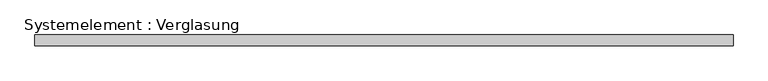
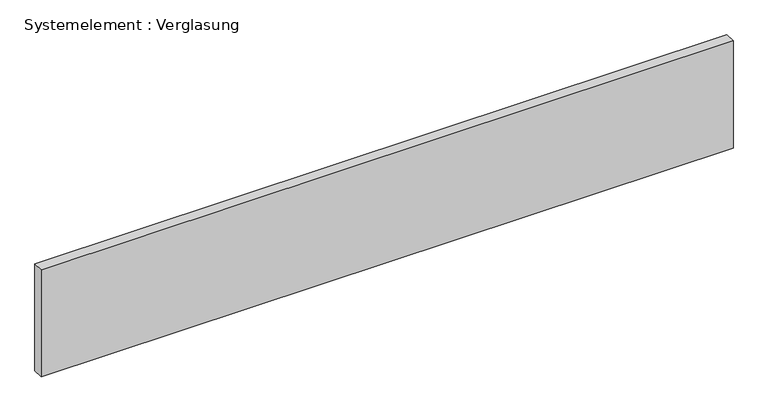
"""IFC4 building model written with IfcOpenShell, lengths in millimetres: plate geometry, Systemelement : Verglasung."""

import ifcopenshell
import ifcopenshell.guid

model = None  # the IFC model being written
_history = None  # IfcOwnerHistory: only IFC2X3 demands one
_inside = {}  # id of a spatial element -> (the spatial element, [elements in it])
_under = {}  # id of a project, library or spatial element -> (it, [spatial elements below it])
_declared = {}  # id of a project -> (the project, [libraries it declares])
_typed = {}  # id of a type object -> (the type object, [elements of that type])
_made_of = {}  # id of a material, layer set ... -> (it, [elements and type objects made of it])


def new_model(schema):
    """Start an empty IFC model of exactly this schema.

    Asked for "IFC4X3", IfcOpenShell would pick the latest addendum, in which some entities
    have other attributes; the version numbers below select the first issue.
    IFC2X3 requires an IfcOwnerHistory on every rooted entity: one is made here for all.
    """
    global model, _history
    if schema == "IFC4X3":
        model = ifcopenshell.file(schema_version=(4, 3, 0, 0))
    else:
        model = ifcopenshell.file(schema=schema)
    _inside.clear()
    _under.clear()
    _declared.clear()
    _typed.clear()
    _made_of.clear()
    _history = None
    if model.schema == "IFC2X3":
        org = make("IfcOrganization", Name="unknown")
        user = make(
            "IfcPersonAndOrganization",
            ThePerson=make("IfcPerson", FamilyName="unknown"),
            TheOrganization=org,
        )
        app = make(
            "IfcApplication",
            ApplicationDeveloper=org,
            Version="unknown",
            ApplicationFullName="unknown",
            ApplicationIdentifier="unknown",
        )
        _history = make(
            "IfcOwnerHistory",
            OwningUser=user,
            OwningApplication=app,
            ChangeAction="ADDED",
            CreationDate=0,
        )
    return model


def make(cls, **values):
    """One entity of the class cls with the attributes given. An attribute that is None is left unset."""
    return model.create_entity(
        cls, **{name: value for name, value in values.items() if value is not None}
    )


def rooted(cls, **values):
    """An entity with a GlobalId (a new one), such as an element, a storey or a relation."""
    return make(cls, GlobalId=ifcopenshell.guid.new(), OwnerHistory=_history, **values)


def si_unit(unit_type, name, prefix=None):
    """IfcSIUnit, for example si_unit("LENGTHUNIT", "METRE", prefix="MILLI")."""
    return make("IfcSIUnit", UnitType=unit_type, Prefix=prefix, Name=name)


def assignment(units):
    """IfcUnitAssignment: the units of a project."""
    return None if units is None else make("IfcUnitAssignment", Units=units)


def point(xyz):
    """IfcCartesianPoint."""
    return None if xyz is None else make("IfcCartesianPoint", Coordinates=xyz)


def direction(xyz):
    """IfcDirection."""
    return None if xyz is None else make("IfcDirection", DirectionRatios=xyz)


def frame(location, z_axis=None, x_axis=None):
    """IfcAxis2Placement3D, a coordinate frame: its origin and axes. An axis left out is left unset."""
    return make(
        "IfcAxis2Placement3D",
        Location=point(location),
        Axis=direction(z_axis),
        RefDirection=direction(x_axis),
    )


def origin():
    """The frame at (0, 0, 0) with its axes left unset."""
    return frame((0.0, 0.0, 0.0))


def origin_with_axes():
    """The frame at (0, 0, 0) with the z axis (0, 0, 1) and the x axis (1, 0, 0) written out."""
    return frame((0.0, 0.0, 0.0), z_axis=(0.0, 0.0, 1.0), x_axis=(1.0, 0.0, 0.0))


def place(relative_to, where):
    """IfcLocalPlacement: puts the frame where relative to a parent placement (None: the world)."""
    return make(
        "IfcLocalPlacement", PlacementRelTo=relative_to, RelativePlacement=where
    )


def context(
    kind, dimensions, precision=None, world=None, true_north=None, identifier=None
):
    """IfcGeometricRepresentationContext, for example the 3D "Model" context."""
    return make(
        "IfcGeometricRepresentationContext",
        ContextIdentifier=identifier,
        ContextType=kind,
        CoordinateSpaceDimension=dimensions,
        Precision=precision,
        WorldCoordinateSystem=world,
        TrueNorth=true_north,
    )


def project(units=None, contexts=None):
    """IfcProject with its units and contexts."""
    return rooted(
        "IfcProject",
        Name="project",
        RepresentationContexts=contexts,
        UnitsInContext=assignment(units),
    )


def spatial(cls, under=None, at=None, **own):
    """A site, building, storey or space (cls), placed at a placement, below another one or the project."""
    s = rooted(cls, ObjectPlacement=at, **own)
    if under is not None:
        _under.setdefault(under.id(), (under, []))[1].append(s)
    return s


def polyline(points):
    """IfcPolyline through the points."""
    return make("IfcPolyline", Points=[point(p) for p in points])


def outline(outer, holes=None, kind="AREA"):
    """IfcArbitraryClosedProfileDef: a profile drawn as a closed curve; with holes, ...WithVoids."""
    if holes is None:
        return make("IfcArbitraryClosedProfileDef", ProfileType=kind, OuterCurve=outer)
    return make(
        "IfcArbitraryProfileDefWithVoids",
        ProfileType=kind,
        OuterCurve=outer,
        InnerCurves=holes,
    )


def extrude(swept, where, along, depth):
    """IfcExtrudedAreaSolid: the profile swept, set in the frame where, extruded along a direction by depth."""
    return make(
        "IfcExtrudedAreaSolid",
        SweptArea=swept,
        Position=where,
        ExtrudedDirection=direction(along),
        Depth=depth,
    )


def shape(context_of_items, identifier, shape_type, items):
    """IfcShapeRepresentation: the items that make up one representation, for example the "Body"."""
    return make(
        "IfcShapeRepresentation",
        ContextOfItems=context_of_items,
        RepresentationIdentifier=identifier,
        RepresentationType=shape_type,
        Items=items,
    )


def source(mapping_origin, context_of_items, identifier, shape_type, items):
    """IfcRepresentationMap: a shape defined once, which mapped items show again and again."""
    return make(
        "IfcRepresentationMap",
        MappingOrigin=mapping_origin,
        MappedRepresentation=shape(context_of_items, identifier, shape_type, items),
    )


def transform(
    local_origin,
    x_axis=None,
    y_axis=None,
    z_axis=None,
    scale=None,
    scale2=None,
    scale3=None,
    uniform=True,
):
    """IfcCartesianTransformationOperator3D, or its non-uniform kind. x_axis, y_axis, z_axis: its Axis1, 2, 3."""
    if uniform:
        return make(
            "IfcCartesianTransformationOperator3D",
            Axis1=direction(x_axis),
            Axis2=direction(y_axis),
            LocalOrigin=point(local_origin),
            Scale=scale,
            Axis3=direction(z_axis),
        )
    return make(
        "IfcCartesianTransformationOperator3DnonUniform",
        Axis1=direction(x_axis),
        Axis2=direction(y_axis),
        LocalOrigin=point(local_origin),
        Scale=scale,
        Axis3=direction(z_axis),
        Scale2=scale2,
        Scale3=scale3,
    )


def mapped(mapping_source, mapping_target):
    """IfcMappedItem: shows the shape of a source again, moved by a transform."""
    return make(
        "IfcMappedItem", MappingSource=mapping_source, MappingTarget=mapping_target
    )


def made_of(thing, what):
    """Note that an element or type object is made of a material, layer set ...; save() writes the relation."""
    if what is not None:
        _made_of.setdefault(what.id(), (what, []))[1].append(thing)
    return thing


def element(
    cls,
    number,
    at=None,
    inside=None,
    cuts=None,
    type_object=None,
    material=None,
    context=None,
    identifier="Body",
    shape_type=None,
    held_by="IfcProductDefinitionShape",
    body=None,
    shapes=None,
    **own,
):
    """One element of the class cls, such as IfcWall. Its Tag is "e" and its number.

    at: its placement. inside: the storey or other place that contains it. cuts: it is an
    opening in that element (IfcRelVoidsElement). A single representation is given by context,
    identifier, shape_type and body (its items); several are given by shapes. held_by: the class
    of the entity that holds the representations. save() writes the other relations.
    """
    e = rooted(cls, Tag="e%d" % number, ObjectPlacement=at, **own)
    if body is not None:
        shapes = [shape(context, identifier, shape_type, body)]
    if shapes is not None:
        e.Representation = make(held_by, Representations=shapes)
    if inside is not None:
        _inside.setdefault(inside.id(), (inside, []))[1].append(e)
    if cuts is not None:
        rooted(
            "IfcRelVoidsElement", RelatingBuildingElement=cuts, RelatedOpeningElement=e
        )
    if type_object is not None:
        _typed.setdefault(type_object.id(), (type_object, []))[1].append(e)
    return made_of(e, material)


def aggregate(whole, parts):
    """IfcRelAggregates: a whole, such as a stair, and the parts it consists of."""
    return rooted("IfcRelAggregates", RelatingObject=whole, RelatedObjects=parts)


def save(model, path):
    """Write the relations noted so far, then the file.

    IfcRelAggregates (storeys below a building ...), IfcRelContainedInSpatialStructure (elements
    in a storey), IfcRelDefinesByType, IfcRelAssociatesMaterial and IfcRelDeclares: one each for
    every whole, place, type object, material and project.
    """
    for whole, parts in _under.values():
        aggregate(whole, parts)
    for where, things in _inside.values():
        rooted(
            "IfcRelContainedInSpatialStructure",
            RelatedElements=things,
            RelatingStructure=where,
        )
    for kind, things in _typed.values():
        rooted("IfcRelDefinesByType", RelatedObjects=things, RelatingType=kind)
    for what, things in _made_of.values():
        rooted("IfcRelAssociatesMaterial", RelatedObjects=things, RelatingMaterial=what)
    for by, libraries in _declared.values():
        rooted("IfcRelDeclares", RelatingContext=by, RelatedDefinitions=libraries)
    model.write(path)


def systemelement_verglasung_bd3fa138(model_context):
    return source(origin(), model_context, "Body", "SweptSolid", [
        extrude(outline(polyline([(980.0, -15.0), (-980.0, -15.0), (-980.0, 15.0), (980.0, 15.0), (980.0, -15.0)])), origin_with_axes(), (0.0, 0.0, 1.0), 321.1111111),
    ])


if __name__ == "__main__":
    model = new_model("IFC4")
    model_context = context("Model", 3, world=origin())
    ifc_project = project(units=[si_unit("LENGTHUNIT", "METRE", prefix="MILLI")], contexts=[model_context])
    site = spatial("IfcSite", under=ifc_project)
    building = spatial("IfcBuilding", under=site)
    placement = place(None, origin())
    systemelement_verglasung_shape = systemelement_verglasung_bd3fa138(model_context)
    element("IfcPlate", 1, ObjectType="Systemelement : Verglasung", at=placement, inside=building, context=model_context, shape_type="MappedRepresentation", body=[
        mapped(systemelement_verglasung_shape, transform((0.0, 0.0, 0.0), x_axis=(1.0, 0.0, 0.0), y_axis=(0.0, 1.0, 0.0), z_axis=(0.0, 0.0, 1.0))),
    ])
    save(model, "model.ifc")
